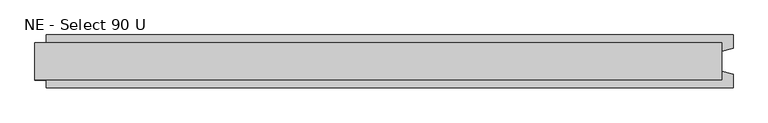
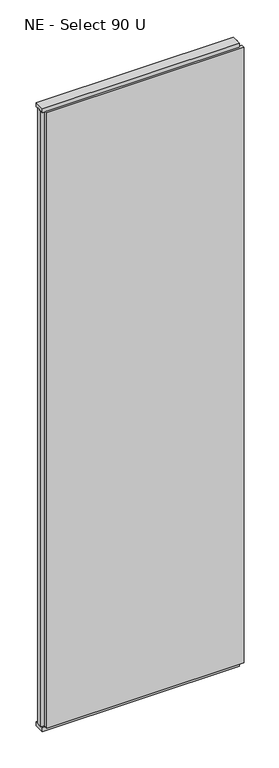
"""IFC4 building model written with IfcOpenShell, lengths in millimetres: plate geometry, NE - Select 90 U."""

from ifc_helpers import new_model, si_unit, frame, origin, origin_with_axes, place, context, project, spatial, polyline, outline, extrude, source, transform, mapped, element, save


def ne_select_90_u_ed7c9edc(model_context):
    return source(origin(), model_context, "Body", "SweptSolid", [
        extrude(outline(polyline([(619.0, 46.0), (619.0, 22.9993165), (599.0, 17.6401049), (599.0, -17.6401049), (619.0, -22.9993165), (619.0, -46.0), (-579.0, -46.0), (-579.0, -22.9993165), (-599.0, -17.6401049), (-599.0, 17.6401049), (-579.0, 22.9993165), (-579.0, 46.0), (619.0, 46.0)])), frame((0.0, 0.0, 25.0), z_axis=(0.0, 0.0, 1.0), x_axis=(1.0, 0.0, 0.0)), (0.0, 0.0, 1.0), 3950.0),
        extrude(outline(polyline([(599.0, 32.0), (599.0, -32.0), (-599.0, -32.0), (-599.0, 32.0), (599.0, 32.0)])), origin_with_axes(), (0.0, 0.0, 1.0), 25.0),
        extrude(outline(polyline([(599.0, 32.0), (599.0, -32.0), (-599.0, -32.0), (-599.0, 32.0), (599.0, 32.0)])), frame((0.0, 0.0, 3975.0), z_axis=(0.0, 0.0, 1.0), x_axis=(1.0, 0.0, 0.0)), (0.0, 0.0, 1.0), 25.0),
    ])


if __name__ == "__main__":
    model = new_model("IFC4")
    model_context = context("Model", 3, world=origin())
    ifc_project = project(units=[si_unit("LENGTHUNIT", "METRE", prefix="MILLI")], contexts=[model_context])
    site = spatial("IfcSite", under=ifc_project)
    building = spatial("IfcBuilding", under=site)
    placement = place(None, origin())
    ne_select_90_u_shape = ne_select_90_u_ed7c9edc(model_context)
    element("IfcPlate", 1, ObjectType="NE - Select 90 U", at=placement, inside=building, context=model_context, shape_type="MappedRepresentation", body=[
        mapped(ne_select_90_u_shape, transform((0.0, 0.0, 0.0), x_axis=(1.0, 0.0, 0.0), y_axis=(0.0, 1.0, 0.0), z_axis=(0.0, 0.0, 1.0))),
    ])
    save(model, "model.ifc")
